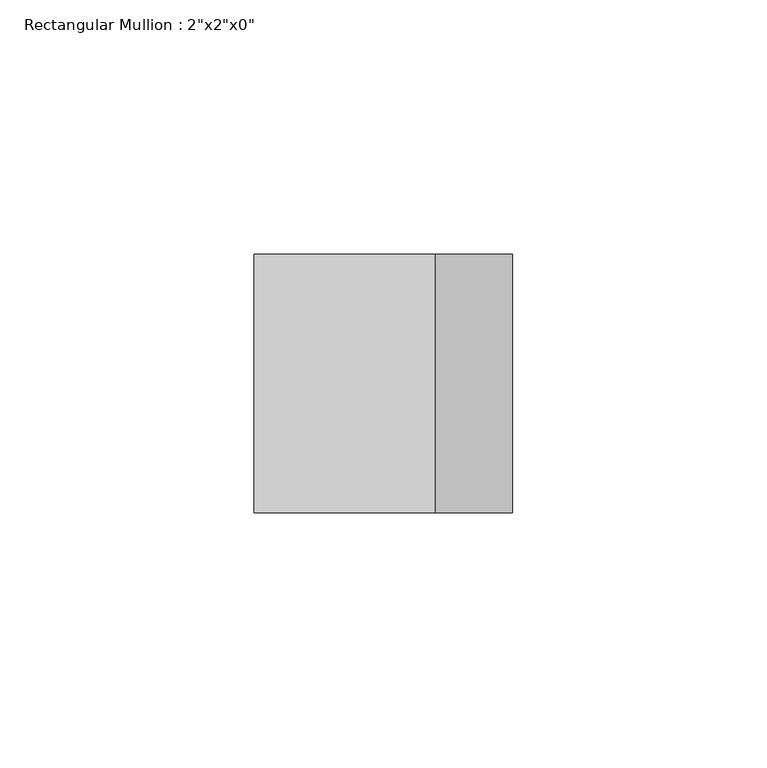
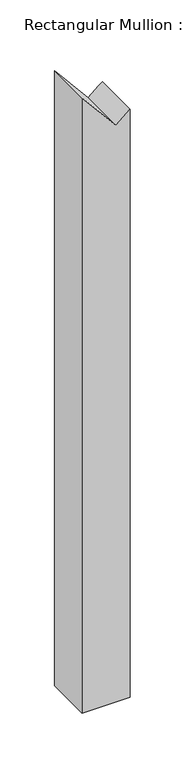
"""IFC4 building model written with IfcOpenShell, lengths in millimetres: member geometry."""

from ifc_helpers import new_model, si_unit, origin, place, context, project, spatial, faceted_brep, source, transform, mapped, element, save


def member_a393215c(model_context):
    return source(origin(), model_context, "Body", "Brep", [
        faceted_brep([(25.4, 25.4, -696.6605611), (25.4, -25.4, -696.6605611), (-25.4, -25.4, -696.6605611), (-25.4, 25.4, -696.6605611), (-25.4, 25.4, -9.185186), (10.2332714, 25.4, -52.0110483), (21.432861, 25.4, -42.6924265), (25.4, 25.4, -39.3915673), (-25.4, -25.4, -9.185186), (25.4, -25.4, -39.3915673), (10.2332714, -25.4, -52.0110483)], [[[0, 1, 2, 3]], [[4, 5, 6, 7, 0, 3]], [[8, 4, 3, 2]], [[9, 10, 8, 2, 1]], [[7, 9, 1, 0]], [[7, 6, 5, 10, 9]], [[5, 4, 8, 10]]]),
    ])


if __name__ == "__main__":
    model = new_model("IFC4")
    model_context = context("Model", 3, world=origin())
    ifc_project = project(units=[si_unit("LENGTHUNIT", "METRE", prefix="MILLI")], contexts=[model_context])
    site = spatial("IfcSite", under=ifc_project)
    building = spatial("IfcBuilding", under=site)
    placement = place(None, origin())
    member_shape = member_a393215c(model_context)
    element("IfcMember", 1, ObjectType="Rectangular Mullion : 2\"x2\"x0\"", at=placement, inside=building, context=model_context, shape_type="MappedRepresentation", body=[
        mapped(member_shape, transform((0.0, 0.0, 0.0), x_axis=(1.0, 0.0, 0.0), y_axis=(0.0, 1.0, 0.0), z_axis=(0.0, 0.0, 1.0))),
    ])
    save(model, "model.ifc")
